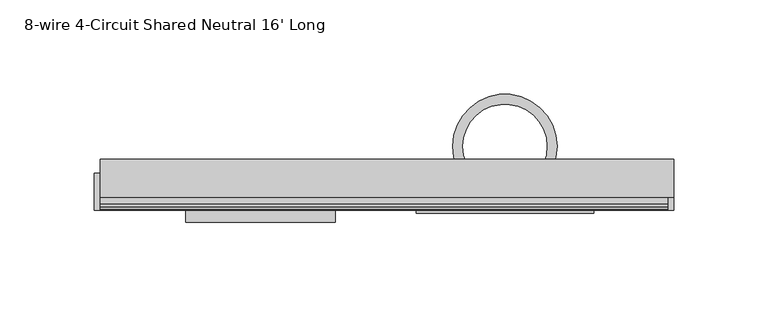
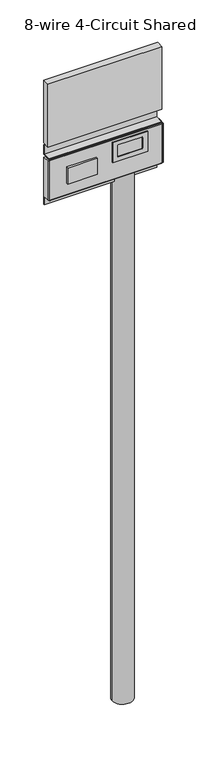
"""IFC4 building model written with IfcOpenShell, lengths in millimetres: furniture geometry, 8-wire 4-Circuit Shared Neutral 16' Long."""

from ifc_helpers import new_model, si_unit, point, frame, origin, origin_with_axes, origin_2d, place, context, project, spatial, polyline, circle_curve, trimmed, segment, composite_curve, outline, extrude, source, transform, mapped, element, save


def furniture_8_wire_4_circuit_shared_neutral_16_long_3e646972(model_context):
    return source(origin(), model_context, "Body", "SweptSolid", [
        extrude(outline(polyline([(1607.8259653, 47.1170005), (1607.8259653, -47.1170005), (1551.1839671, -47.1170005), (1551.1839671, 47.1170005), (1607.8259653, 47.1170005)]), holes=[polyline([(1596.2689672, 31.2420065), (1595.5994133, 32.8584595), (1593.9829671, 33.5280044), (1565.0269664, 33.5280044), (1563.4105203, 32.8584595), (1562.7409663, 31.2420065), (1562.7409663, -31.2419884), (1563.4105203, -32.8584413), (1565.0269664, -33.5279862), (1593.9829671, -33.5279862), (1595.5994133, -32.8584413), (1596.2689672, -31.2419884), (1596.2689672, 31.2420065)])]), frame((0.0, -35.6310779, 0.0), z_axis=(0.0, 1.0, 0.0), x_axis=(0.0, 0.0, 1.0)), (0.0, 0.0, 1.0), 1.624416),
        extrude(outline(polyline([(-90.1559337, -34.0066619), (-90.1559337, -40.3566649), (-169.6790444, -40.3566649), (-169.6790444, -34.0066619), (-90.1559337, -34.0066619)])), frame((0.0, 0.0, 1536.7749674), z_axis=(0.0, 0.0, 1.0), x_axis=(1.0, 0.0, 0.0)), (0.0, 0.0, 1.0), 44.4499991),
        extrude(outline(polyline([(-215.0104266, -34.0066619), (-218.3238225, -34.0066619), (-218.3238225, -14.4348437), (-215.0104266, -14.4348437), (-215.0104266, -34.0066619)])), frame((0.0, 0.0, 1503.4999659), z_axis=(0.0, 0.0, 1.0), x_axis=(1.0, 0.0, 0.0)), (0.0, 0.0, 1.0), 111.0000016),
        extrude(outline(polyline([(89.8000056, -34.0066619), (86.4866097, -34.0066619), (86.4866097, -14.4348437), (89.8000056, -14.4348437), (89.8000056, -34.0066619)])), frame((0.0, 0.0, 1503.4999659), z_axis=(0.0, 0.0, 1.0), x_axis=(1.0, 0.0, 0.0)), (0.0, 0.0, 1.0), 111.0000016),
        extrude(outline(polyline([(-8.706663, 1617.8999643), (-8.706663, 1643.1999644), (-7.0066634, 1643.1999644), (-7.0066634, 1616.1999681), (-30.5066621, 1616.1999681), (-31.7446497, 1615.7061484), (-32.3038816, 1614.4999674), (-32.3038816, 1503.4999659), (-31.7446497, 1502.293785), (-30.5066621, 1501.7999652), (-7.0066634, 1501.7999652), (-7.0066634, 1474.799969), (-8.706663, 1474.799969), (-8.706663, 1500.0999645), (-30.5066621, 1500.0999645), (-32.228541, 1500.5528165), (-33.5048121, 1501.7941152), (-34.0066619, 1503.5048273), (-34.0066619, 1614.495106), (-33.5048121, 1616.2058181), (-32.228541, 1617.4471168), (-30.5066621, 1617.8999643), (-8.706663, 1617.8999643)])), frame((-214.9999944, 0.0, 0.0), z_axis=(1.0, 0.0, 0.0), x_axis=(0.0, 1.0, 0.0)), (0.0, 0.0, 1.0), 301.4866041),
        extrude(outline(polyline([(89.8000056, -26.998664), (-214.9999944, -26.998664), (-214.9999944, -6.9986629), (89.8000056, -6.9986629), (89.8000056, -26.998664)])), frame((0.0, 0.0, 1648.8499647), z_axis=(0.0, 0.0, 1.0), x_axis=(1.0, 0.0, 0.0)), (0.0, 0.0, 1.0), 177.800003),
        extrude(outline(composite_curve([segment(trimmed(circle_curve(origin_2d(), 27.7018726), [point((-27.7018726, 0.0))], [point((27.7018726, 0.0))], False, "CARTESIAN"), True, "CONTINUOUS"), segment(trimmed(circle_curve(origin_2d(), 27.7018726), [point((27.7018726, 0.0))], [point((-27.7018726, 0.0))], False, "CARTESIAN"), True, "CONTINUOUS")], self_intersect=False), holes=[composite_curve([segment(trimmed(circle_curve(origin_2d(), 22.343337), [point((-22.343337, 0.0))], [point((22.343337, 0.0))], True, "CARTESIAN"), True, "CONTINUOUS"), segment(trimmed(circle_curve(origin_2d(), 22.343337), [point((22.343337, 0.0))], [point((-22.343337, 0.0))], True, "CARTESIAN"), True, "CONTINUOUS")], self_intersect=False)]), origin_with_axes(), (0.0, 0.0, 1.0), 1524.5068211),
    ])


if __name__ == "__main__":
    model = new_model("IFC4")
    model_context = context("Model", 3, world=origin())
    ifc_project = project(units=[si_unit("LENGTHUNIT", "METRE", prefix="MILLI")], contexts=[model_context])
    site = spatial("IfcSite", under=ifc_project)
    building = spatial("IfcBuilding", under=site)
    placement = place(None, origin())
    furniture_8_wire_4_circuit_shared_neutral_16_long_shape = furniture_8_wire_4_circuit_shared_neutral_16_long_3e646972(model_context)
    element("IfcFurniture", 1, ObjectType="8-wire 4-Circuit Shared Neutral 16' Long", at=placement, inside=building, context=model_context, shape_type="MappedRepresentation", body=[
        mapped(furniture_8_wire_4_circuit_shared_neutral_16_long_shape, transform((0.0, 0.0, 0.0), x_axis=(1.0, 0.0, 0.0), y_axis=(0.0, 1.0, 0.0), z_axis=(0.0, 0.0, 1.0))),
    ])
    save(model, "model.ifc")
